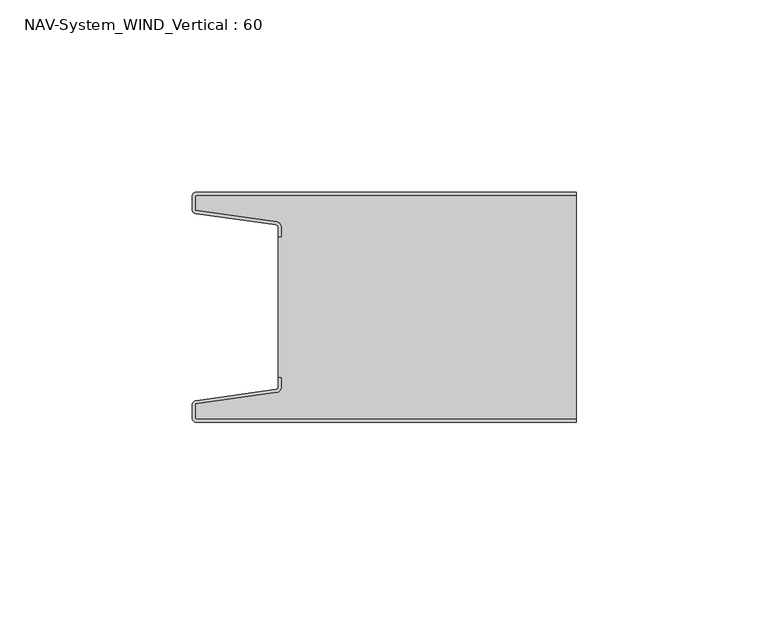
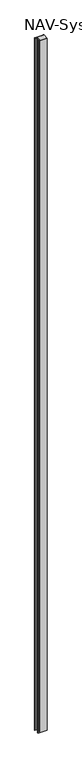
"""IFC4 building model written with IfcOpenShell, lengths in millimetres: plate geometry, NAV-System_WIND_Vertical : 60."""

from ifc_helpers import new_model, si_unit, point, frame_2d, origin, origin_with_axes, place, context, project, spatial, polyline, circle_curve, trimmed, segment, composite_curve, outline, extrude, source, transform, mapped, element, save


def nav_system_wind_vertical_60_64f7e862(model_context):
    return source(origin(), model_context, "Body", "SweptSolid", [
        extrude(outline(composite_curve([segment(trimmed(circle_curve(frame_2d((-48.7, -58.7)), 1.3), [point((-48.7, -60.0))], [point((-50.0, -58.7))], False, "CARTESIAN"), True, "CONTINUOUS"), segment(polyline([(-50.0, -58.7), (-50.0, -55.6299809)]), True, "CONTINUOUS"), segment(trimmed(circle_curve(frame_2d((-48.7, -55.6299809)), 1.3), [point((-50.0, -55.6299809))], [point((-48.8810287, -54.342647))], False, "CARTESIAN"), True, "CONTINUOUS"), segment(polyline([(-48.8810287, -54.342647), (-28.102523, -51.4207123)]), True, "CONTINUOUS"), segment(trimmed(circle_curve(frame_2d((-28.2, -50.7275325)), 0.7), [point((-28.102523, -51.4207123))], [point((-27.5, -50.7275325))], True, "CARTESIAN"), True, "CONTINUOUS"), segment(polyline([(-27.5, -50.7275325), (-27.5, -48.3275325), (-26.7, -48.3275325), (-26.7, -50.7275325)]), True, "CONTINUOUS"), segment(trimmed(circle_curve(frame_2d((-28.2, -50.7275325)), 1.5), [point((-26.7, -50.7275325))], [point((-27.9911207, -52.2129178))], False, "CARTESIAN"), True, "CONTINUOUS"), segment(polyline([(-27.9911207, -52.2129178), (-49.2, -55.1953728), (-49.2, -58.7)]), True, "CONTINUOUS"), segment(trimmed(circle_curve(frame_2d((-48.7, -58.7)), 0.5), [point((-49.2, -58.7))], [point((-48.7, -59.2))], True, "CARTESIAN"), True, "CONTINUOUS"), segment(polyline([(-48.7, -59.2), (50.0, -59.2), (50.0, -60.0), (-48.7, -60.0)]), True, "CONTINUOUS")], self_intersect=False)), origin_with_axes(), (0.0, 0.0, 1.0), 8000.0),
        extrude(outline(composite_curve([segment(trimmed(circle_curve(frame_2d((-48.7, -1.3)), 0.5), [point((-48.7, -0.8))], [point((-49.2, -1.3))], True, "CARTESIAN"), True, "CONTINUOUS"), segment(polyline([(-49.2, -1.3), (-49.2, -4.8046272), (-27.9911207, -7.7870822)]), True, "CONTINUOUS"), segment(trimmed(circle_curve(frame_2d((-28.2, -9.2724675)), 1.5), [point((-27.9911207, -7.7870822))], [point((-26.7, -9.2724675))], False, "CARTESIAN"), True, "CONTINUOUS"), segment(polyline([(-26.7, -9.2724675), (-26.7, -11.6724675), (-27.5, -11.6724675), (-27.5, -9.2724675)]), True, "CONTINUOUS"), segment(trimmed(circle_curve(frame_2d((-28.2, -9.2724675)), 0.7), [point((-27.5, -9.2724675))], [point((-28.102523, -8.5792877))], True, "CARTESIAN"), True, "CONTINUOUS"), segment(polyline([(-28.102523, -8.5792877), (-48.8810287, -5.657353)]), True, "CONTINUOUS"), segment(trimmed(circle_curve(frame_2d((-48.7, -4.3700191)), 1.3), [point((-48.8810287, -5.657353))], [point((-50.0, -4.3700191))], False, "CARTESIAN"), True, "CONTINUOUS"), segment(polyline([(-50.0, -4.3700191), (-50.0, -1.3)]), True, "CONTINUOUS"), segment(trimmed(circle_curve(frame_2d((-48.7, -1.3)), 1.3), [point((-50.0, -1.3))], [point((-48.7, 0.0))], False, "CARTESIAN"), True, "CONTINUOUS"), segment(polyline([(-48.7, 0.0), (50.0, 0.0), (50.0, -0.8), (-48.7, -0.8)]), True, "CONTINUOUS")], self_intersect=False)), origin_with_axes(), (0.0, 0.0, 1.0), 8000.0),
        extrude(outline(composite_curve([segment(trimmed(circle_curve(frame_2d((-48.7, -58.7)), 0.5), [point((-48.7, -59.2))], [point((-49.2, -58.7))], False, "CARTESIAN"), True, "CONTINUOUS"), segment(polyline([(-49.2, -58.7), (-49.2, -55.1953728), (-27.9911207, -52.2129178)]), True, "CONTINUOUS"), segment(trimmed(circle_curve(frame_2d((-28.2, -50.7275325)), 1.5), [point((-27.9911207, -52.2129178))], [point((-26.7, -50.7275325))], True, "CARTESIAN"), True, "CONTINUOUS"), segment(polyline([(-26.7, -50.7275325), (-26.7, -48.2767555), (-27.5, -48.2767555), (-27.5, -11.6767555), (-26.7, -11.6767555), (-26.7, -9.2724675)]), True, "CONTINUOUS"), segment(trimmed(circle_curve(frame_2d((-28.2, -9.2724675)), 1.5), [point((-26.7, -9.2724675))], [point((-27.9911207, -7.7870822))], True, "CARTESIAN"), True, "CONTINUOUS"), segment(polyline([(-27.9911207, -7.7870822), (-49.2, -4.8046272), (-49.2, -1.3)]), True, "CONTINUOUS"), segment(trimmed(circle_curve(frame_2d((-48.7, -1.3)), 0.5), [point((-49.2, -1.3))], [point((-48.7, -0.8))], False, "CARTESIAN"), True, "CONTINUOUS"), segment(polyline([(-48.7, -0.8), (50.0, -0.8), (50.0, -59.2), (-48.7, -59.2)]), True, "CONTINUOUS")], self_intersect=False)), origin_with_axes(), (0.0, 0.0, 1.0), 8000.0),
    ])


if __name__ == "__main__":
    model = new_model("IFC4")
    model_context = context("Model", 3, world=origin())
    ifc_project = project(units=[si_unit("LENGTHUNIT", "METRE", prefix="MILLI")], contexts=[model_context])
    site = spatial("IfcSite", under=ifc_project)
    building = spatial("IfcBuilding", under=site)
    placement = place(None, origin())
    nav_system_wind_vertical_60_shape = nav_system_wind_vertical_60_64f7e862(model_context)
    element("IfcPlate", 1, ObjectType="NAV-System_WIND_Vertical : 60", at=placement, inside=building, context=model_context, shape_type="MappedRepresentation", body=[
        mapped(nav_system_wind_vertical_60_shape, transform((0.0, 0.0, 0.0), x_axis=(1.0, 0.0, 0.0), y_axis=(0.0, 1.0, 0.0), z_axis=(0.0, 0.0, 1.0))),
    ])
    save(model, "model.ifc")
